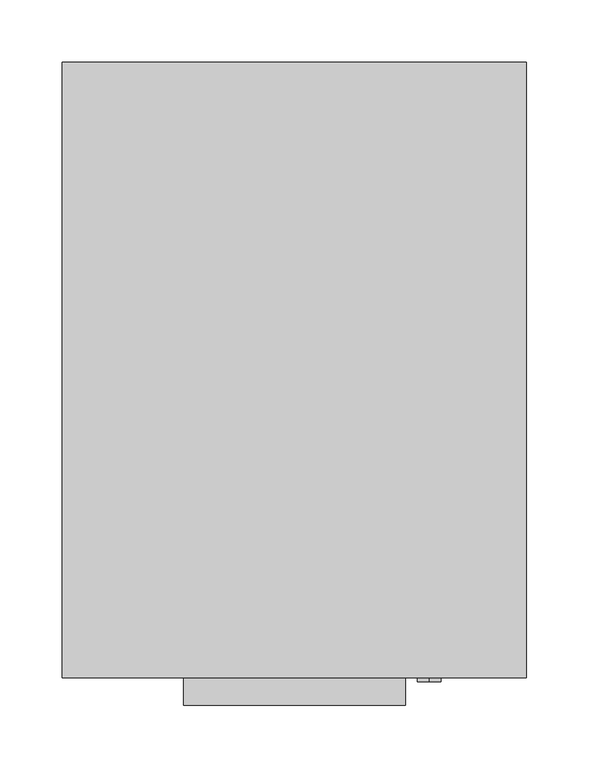
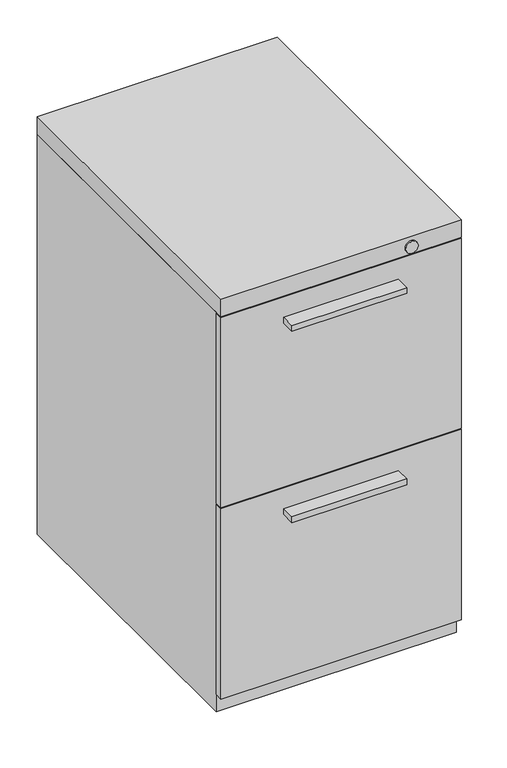
"""IFC4 building model written with IfcOpenShell, lengths in millimetres: furniture geometry."""

from ifc_helpers import new_model, si_unit, point, frame, frame_2d, origin, place, context, project, spatial, polyline, circle_curve, trimmed, segment, composite_curve, outline, extrude, source, transform, mapped, element, save
from ifc_brep_helpers import plane_surface, cylinder_surface, advanced_brep


def furniture_064e211f(model_context):
    return source(origin(), model_context, "Body", "SolidModel", [
        extrude(outline(polyline([(88.9, -268.2875), (-88.9, -268.2875), (-88.9, -246.0625), (88.9, -246.0625), (88.9, -268.2875)])), frame((0.0, 0.0, 306.3875045), z_axis=(0.0, 0.0, 1.0), x_axis=(1.0, 0.0, 0.0)), (0.0, 0.0, 1.0), 9.525),
        extrude(outline(polyline([(88.9, -268.2875), (-88.9, -268.2875), (-88.9, -246.0625), (88.9, -246.0625), (88.9, -268.2875)])), frame((0.0, 0.0, 619.1250038), z_axis=(0.0, 0.0, 1.0), x_axis=(1.0, 0.0, 0.0)), (0.0, 0.0, 1.0), 9.525),
        advanced_brep(
        [(133.35, 230.1874902, 9.525), (133.35, 179.3874932, 9.525), (133.35, 204.7874917, 9.525), (133.35, 230.1874902, 0.0), (133.35, 179.3874932, 0.0), (133.35, 204.7874917, 0.0)],
        [
            (0, 1, circle_curve(frame((133.35, 204.7874917, 9.525), z_axis=(0.0, 0.0, 1.0), x_axis=(0.0, -1.0, 0.0)), 25.3999985)),
            (1, 2),
            (2, 0),
            (1, 0, circle_curve(frame((133.35, 204.7874917, 9.525), z_axis=(0.0, 0.0, 1.0), x_axis=(0.0, -1.0, 0.0)), 25.3999985)),
            (3, 4, circle_curve(frame((133.35, 204.7874917, 0.0), z_axis=(0.0, 0.0, 1.0), x_axis=(0.0, -1.0, 0.0)), 25.3999985)),
            (4, 1),
            (0, 3),
            (4, 3, circle_curve(frame((133.35, 204.7874917, 0.0), z_axis=(0.0, 0.0, 1.0), x_axis=(0.0, -1.0, 0.0)), 25.3999985)),
            (5, 4),
            (3, 5),
        ],
        [
            plane_surface(frame((133.35, 204.7874917, 9.525), z_axis=(0.0, 0.0, 1.0), x_axis=(0.0, -1.0, 0.0))),
            cylinder_surface(frame((133.35, 204.7874917, 0.0), z_axis=(0.0, 0.0, -1.0), x_axis=(0.0, -1.0, 0.0)), 25.3999985),
            plane_surface(frame((133.35, 204.7874917, 0.0), z_axis=(0.0, 0.0, -1.0), x_axis=(0.0, -1.0, 0.0))),
        ],
        [
            (0, [[1, 2, 3]]),
            (0, [[4, -3, -2]]),
            (1, [[5, 6, -1, 7]]),
            (1, [[8, -7, -4, -6]]),
            (2, [[9, -5, 10]]),
            (2, [[-10, -8, -9]]),
        ],
    ),
        advanced_brep(
        [(133.35, -169.8625098, 9.525), (133.35, -220.6625068, 9.525), (133.35, -195.2625083, 9.525), (133.35, -169.8625098, 0.0), (133.35, -220.6625068, 0.0), (133.35, -195.2625083, 0.0)],
        [
            (0, 1, circle_curve(frame((133.35, -195.2625083, 9.525), z_axis=(0.0, 0.0, 1.0), x_axis=(0.0, -1.0, 0.0)), 25.3999985)),
            (1, 2),
            (2, 0),
            (1, 0, circle_curve(frame((133.35, -195.2625083, 9.525), z_axis=(0.0, 0.0, 1.0), x_axis=(0.0, -1.0, 0.0)), 25.3999985)),
            (3, 4, circle_curve(frame((133.35, -195.2625083, 0.0), z_axis=(0.0, 0.0, 1.0), x_axis=(0.0, -1.0, 0.0)), 25.3999985)),
            (4, 1),
            (0, 3),
            (4, 3, circle_curve(frame((133.35, -195.2625083, 0.0), z_axis=(0.0, 0.0, 1.0), x_axis=(0.0, -1.0, 0.0)), 25.3999985)),
            (5, 4),
            (3, 5),
        ],
        [
            plane_surface(frame((133.35, -195.2625083, 9.525), z_axis=(0.0, 0.0, 1.0), x_axis=(0.0, -1.0, 0.0))),
            cylinder_surface(frame((133.35, -195.2625083, 0.0), z_axis=(0.0, 0.0, -1.0), x_axis=(0.0, -1.0, 0.0)), 25.3999985),
            plane_surface(frame((133.35, -195.2625083, 0.0), z_axis=(0.0, 0.0, -1.0), x_axis=(0.0, -1.0, 0.0))),
        ],
        [
            (0, [[1, 2, 3]]),
            (0, [[4, -3, -2]]),
            (1, [[5, 6, -1, 7]]),
            (1, [[8, -7, -4, -6]]),
            (2, [[9, -5, 10]]),
            (2, [[-10, -8, -9]]),
        ],
    ),
        advanced_brep(
        [(-133.35, -169.8625098, 9.525), (-133.35, -220.6625068, 9.525), (-133.35, -195.2625083, 9.525), (-133.35, -169.8625098, 0.0), (-133.35, -220.6625068, 0.0), (-133.35, -195.2625083, 0.0)],
        [
            (0, 1, circle_curve(frame((-133.35, -195.2625083, 9.525), z_axis=(0.0, 0.0, 1.0), x_axis=(0.0, -1.0, 0.0)), 25.3999985)),
            (1, 2),
            (2, 0),
            (1, 0, circle_curve(frame((-133.35, -195.2625083, 9.525), z_axis=(0.0, 0.0, 1.0), x_axis=(0.0, -1.0, 0.0)), 25.3999985)),
            (3, 4, circle_curve(frame((-133.35, -195.2625083, 0.0), z_axis=(0.0, 0.0, 1.0), x_axis=(0.0, -1.0, 0.0)), 25.3999985)),
            (4, 1),
            (0, 3),
            (4, 3, circle_curve(frame((-133.35, -195.2625083, 0.0), z_axis=(0.0, 0.0, 1.0), x_axis=(0.0, -1.0, 0.0)), 25.3999985)),
            (5, 4),
            (3, 5),
        ],
        [
            plane_surface(frame((-133.35, -195.2625083, 9.525), z_axis=(0.0, 0.0, 1.0), x_axis=(0.0, -1.0, 0.0))),
            cylinder_surface(frame((-133.35, -195.2625083, 0.0), z_axis=(0.0, 0.0, -1.0), x_axis=(0.0, -1.0, 0.0)), 25.3999985),
            plane_surface(frame((-133.35, -195.2625083, 0.0), z_axis=(0.0, 0.0, -1.0), x_axis=(0.0, -1.0, 0.0))),
        ],
        [
            (0, [[1, 2, 3]]),
            (0, [[4, -3, -2]]),
            (1, [[5, 6, -1, 7]]),
            (1, [[8, -7, -4, -6]]),
            (2, [[9, -5, 10]]),
            (2, [[-10, -8, -9]]),
        ],
    ),
        advanced_brep(
        [(-133.35, 230.1874902, 9.525), (-133.35, 179.3874932, 9.525), (-133.35, 204.7874917, 9.525), (-133.35, 230.1874902, 0.0), (-133.35, 179.3874932, 0.0), (-133.35, 204.7874917, 0.0)],
        [
            (0, 1, circle_curve(frame((-133.35, 204.7874917, 9.525), z_axis=(0.0, 0.0, 1.0), x_axis=(0.0, -1.0, 0.0)), 25.3999985)),
            (1, 2),
            (2, 0),
            (1, 0, circle_curve(frame((-133.35, 204.7874917, 9.525), z_axis=(0.0, 0.0, 1.0), x_axis=(0.0, -1.0, 0.0)), 25.3999985)),
            (3, 4, circle_curve(frame((-133.35, 204.7874917, 0.0), z_axis=(0.0, 0.0, 1.0), x_axis=(0.0, -1.0, 0.0)), 25.3999985)),
            (4, 1),
            (0, 3),
            (4, 3, circle_curve(frame((-133.35, 204.7874917, 0.0), z_axis=(0.0, 0.0, 1.0), x_axis=(0.0, -1.0, 0.0)), 25.3999985)),
            (5, 4),
            (3, 5),
        ],
        [
            plane_surface(frame((-133.35, 204.7874917, 9.525), z_axis=(0.0, 0.0, 1.0), x_axis=(0.0, -1.0, 0.0))),
            cylinder_surface(frame((-133.35, 204.7874917, 0.0), z_axis=(0.0, 0.0, -1.0), x_axis=(0.0, -1.0, 0.0)), 25.3999985),
            plane_surface(frame((-133.35, 204.7874917, 0.0), z_axis=(0.0, 0.0, -1.0), x_axis=(0.0, -1.0, 0.0))),
        ],
        [
            (0, [[1, 2, 3]]),
            (0, [[4, -3, -2]]),
            (1, [[5, 6, -1, 7]]),
            (1, [[8, -7, -4, -6]]),
            (2, [[9, -5, 10]]),
            (2, [[-10, -8, -9]]),
        ],
    ),
        extrude(outline(polyline([(-185.7375, -233.3624516), (185.7375, -233.3624516), (185.7375, -246.0625), (-185.7375, -246.0625), (-185.7375, -233.3624516)])), frame((0.0, 0.0, 350.8374992), z_axis=(0.0, 0.0, 1.0), x_axis=(1.0, 0.0, 0.0)), (0.0, 0.0, 1.0), 311.1500121),
        extrude(outline(polyline([(-185.7375, -233.3624516), (185.7375, -233.3624516), (185.7375, -246.0625), (-185.7375, -246.0625), (-185.7375, -233.3624516)])), frame((0.0, 0.0, 38.1), z_axis=(0.0, 0.0, 1.0), x_axis=(1.0, 0.0, 0.0)), (0.0, 0.0, 1.0), 311.1500121),
        extrude(outline(polyline([(185.7375, 246.0625), (185.7375, -246.0625), (-185.7375, -246.0625), (-185.7375, 246.0625), (185.7375, 246.0625)])), frame((0.0, 0.0, 663.575), z_axis=(0.0, 0.0, 1.0), x_axis=(1.0, 0.0, 0.0)), (0.0, 0.0, 1.0), 28.575),
        extrude(outline(polyline([(185.7375, 246.0625), (185.7375, -233.3624516), (-185.7375, -233.3624516), (-185.7375, 246.0625), (185.7375, 246.0625)])), frame((0.0, 0.0, 9.525), z_axis=(0.0, 0.0, 1.0), x_axis=(1.0, 0.0, 0.0)), (0.0, 0.0, 1.0), 654.05),
        extrude(outline(composite_curve([segment(trimmed(circle_curve(frame_2d((676.2750242, 107.9500242)), 9.525), [point((666.7500242, 107.9500242))], [point((685.8000242, 107.9500242))], False, "CARTESIAN"), True, "CONTINUOUS"), segment(trimmed(circle_curve(frame_2d((676.2750242, 107.9500242)), 9.525), [point((685.8000242, 107.9500242))], [point((666.7500242, 107.9500242))], False, "CARTESIAN"), True, "CONTINUOUS")], self_intersect=False)), frame((0.0, -249.2374879, 0.0), z_axis=(0.0, 1.0, 0.0), x_axis=(0.0, 0.0, 1.0)), (0.0, 0.0, 1.0), 3.1749879),
    ])


if __name__ == "__main__":
    model = new_model("IFC4")
    model_context = context("Model", 3, world=origin())
    ifc_project = project(units=[si_unit("LENGTHUNIT", "METRE", prefix="MILLI")], contexts=[model_context])
    site = spatial("IfcSite", under=ifc_project)
    building = spatial("IfcBuilding", under=site)
    placement = place(None, origin())
    furniture_shape = furniture_064e211f(model_context)
    element("IfcFurniture", 1, at=placement, inside=building, context=model_context, shape_type="MappedRepresentation", body=[
        mapped(furniture_shape, transform((0.0, 0.0, 0.0), x_axis=(1.0, 0.0, 0.0), y_axis=(0.0, 1.0, 0.0), z_axis=(0.0, 0.0, 1.0))),
    ])
    save(model, "model.ifc")
